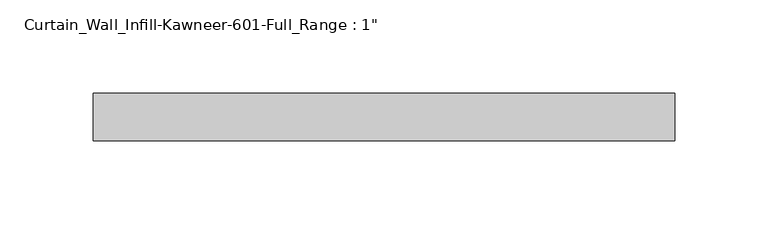
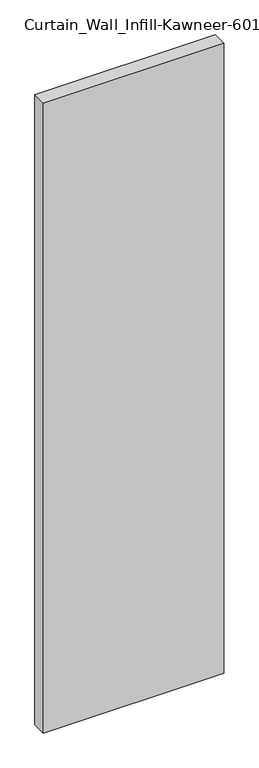
"""IFC4 building model written with IfcOpenShell, lengths in millimetres: plate geometry."""

from ifc_helpers import new_model, si_unit, origin, origin_with_axes, place, context, project, spatial, polyline, outline, extrude, source, transform, mapped, element, save


def plate_5f773cbb(model_context):
    return source(origin(), model_context, "Body", "SweptSolid", [
        extrude(outline(polyline([(-155.575, 12.7), (155.575, 12.7), (155.575, -12.7), (-155.575, -12.7), (-155.575, 12.7)])), origin_with_axes(), (0.0, 0.0, 1.0), 1149.35),
    ])


if __name__ == "__main__":
    model = new_model("IFC4")
    model_context = context("Model", 3, world=origin())
    ifc_project = project(units=[si_unit("LENGTHUNIT", "METRE", prefix="MILLI")], contexts=[model_context])
    site = spatial("IfcSite", under=ifc_project)
    building = spatial("IfcBuilding", under=site)
    placement = place(None, origin())
    plate_shape = plate_5f773cbb(model_context)
    element("IfcPlate", 1, ObjectType="Curtain_Wall_Infill-Kawneer-601-Full_Range : 1\"", at=placement, inside=building, context=model_context, shape_type="MappedRepresentation", body=[
        mapped(plate_shape, transform((0.0, 0.0, 0.0), x_axis=(1.0, 0.0, 0.0), y_axis=(0.0, 1.0, 0.0), z_axis=(0.0, 0.0, 1.0))),
    ])
    save(model, "model.ifc")
